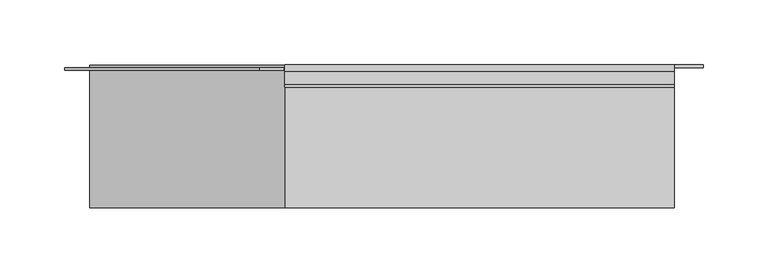
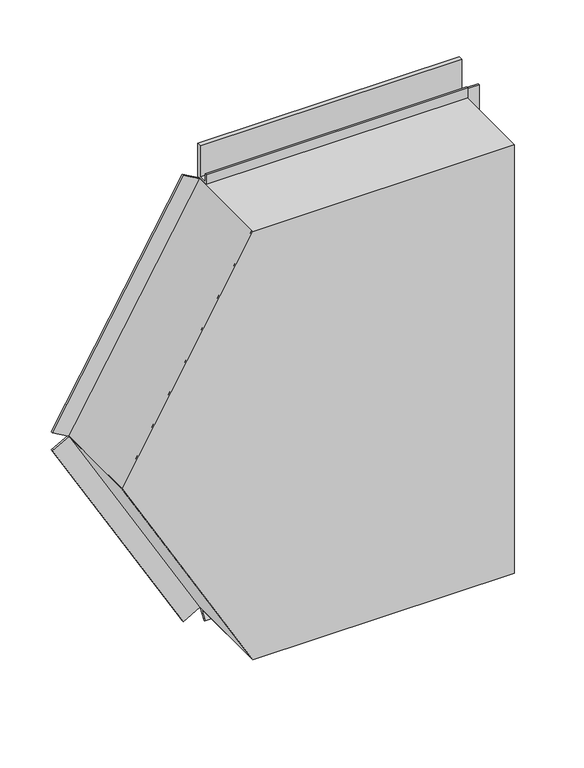
"""IFC4 building model written with IfcOpenShell, lengths in millimetres: proxy geometry."""

from ifc_helpers import new_model, si_unit, frame, origin, origin_with_axes, place, context, project, spatial, polyline, outline, extrude, source, transform, mapped, element, save


def generic_models_4bcfb092(model_context):
    return source(origin(), model_context, "Body", "SweptSolid", [
        extrude(outline(polyline([(520.0, 0.0), (260.0, -150.11), (0.0, 0.0), (0.0, 300.22), (520.0, 300.22), (520.0, 0.0)])), frame((0.0, -110.0, 0.0), z_axis=(0.0, 1.0, 0.0), x_axis=(0.0, 0.0, 1.0)), (0.0, 0.0, 1.0), 110.0),
        extrude(outline(polyline([(-103.8, 0.0), (0.0, 0.0), (0.0, 22.0), (2.0, 22.0), (2.0, 0.0), (2.0, -2.0), (-103.8, -2.0), (-103.8, 0.0)])), frame((-0.001605, -4.2, 0.0027799), z_axis=(-0.49999732699885757, 0.0, 0.8660269470368677), x_axis=(0.0, 1.0, 0.0)), (0.0, 0.0, 1.0), 300.0),
        extrude(outline(polyline([(-103.8, 0.0), (0.0, 0.0), (0.0, 22.0), (2.0, 22.0), (2.0, 0.0), (2.0, -2.0), (-103.8, -2.0), (-103.8, 0.0)])), frame((-150.111605, -4.2, 259.9972201), z_axis=(0.49999732699885974, 0.0, 0.8660269470368664), x_axis=(0.0, 1.0, 0.0)), (0.0, 0.0, 1.0), 300.0),
        extrude(outline(polyline([(-108.0, 518.0), (-108.0, 520.0), (-2.0, 520.0), (-2.0, 558.5), (-3.0, 558.5), (-3.0, 521.0), (-17.1, 521.0), (-17.1, 532.8), (-15.1, 532.8), (-15.1, 523.0), (-5.0, 523.0), (-5.0, 560.5), (0.0, 560.5), (0.0, 518.0), (-108.0, 518.0)])), frame((0.0, 0.0, 0.0), z_axis=(1.0, 0.0, 0.0), x_axis=(0.0, 1.0, 0.0)), (0.0, 0.0, 1.0), 300.22),
        extrude(outline(polyline([(-8.1635024, 0.0), (-108.0, 0.0), (-108.0, 2.0), (-5.6, 2.0), (-5.6, 0.1740539), (-13.4221074, -10.9961152), (-15.0603652, -9.8488963), (-8.1635024, 0.0)])), frame((0.0, 0.0, 0.0), z_axis=(1.0, 0.0, 0.0), x_axis=(0.0, 1.0, 0.0)), (0.0, 0.0, 1.0), 300.22),
        extrude(outline(polyline([(520.0, 0.0), (260.0, -150.11), (0.0, 0.0), (0.0, 300.22), (520.0, 300.22), (520.0, 0.0)])), frame((0.0, -110.0, 0.0), z_axis=(0.0, 1.0, 0.0), x_axis=(0.0, 0.0, 1.0)), (0.0, 0.0, 1.0), 2.0),
        extrude(outline(polyline([(300.22, -108.0), (298.22, -108.0), (298.22, 0.0), (300.22, 0.0), (322.22, 0.0), (322.22, -2.0), (300.22, -2.0), (300.22, -108.0)])), origin_with_axes(), (0.0, 0.0, 1.0), 520.0),
    ])


if __name__ == "__main__":
    model = new_model("IFC4")
    model_context = context("Model", 3, world=origin())
    ifc_project = project(units=[si_unit("LENGTHUNIT", "METRE", prefix="MILLI")], contexts=[model_context])
    site = spatial("IfcSite", under=ifc_project)
    building = spatial("IfcBuilding", under=site)
    placement = place(None, origin())
    generic_models_shape = generic_models_4bcfb092(model_context)
    element("IfcBuildingElementProxy", 1, Name="Generic Models", at=placement, inside=building, context=model_context, shape_type="MappedRepresentation", body=[
        mapped(generic_models_shape, transform((0.0, 0.0, 0.0), x_axis=(1.0, 0.0, 0.0), y_axis=(0.0, 1.0, 0.0), z_axis=(0.0, 0.0, 1.0))),
    ])
    save(model, "model.ifc")
